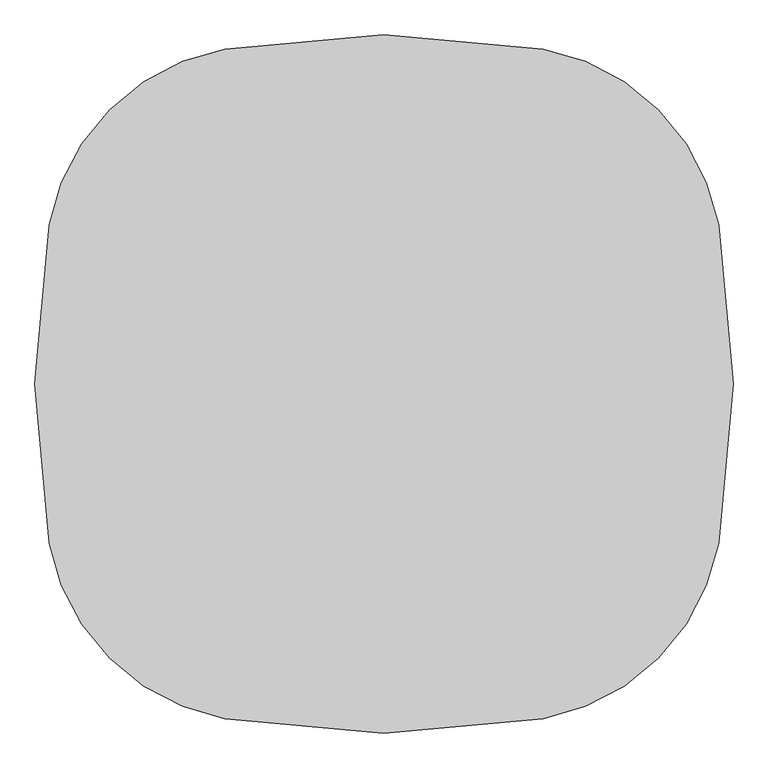
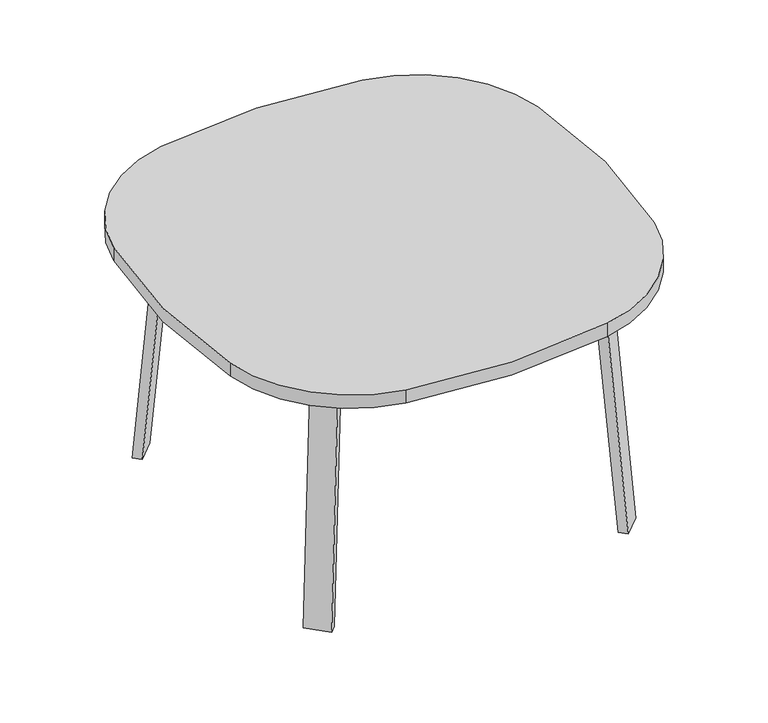
"""IFC4 building model written with IfcOpenShell, lengths in millimetres: furniture geometry."""

from ifc_helpers import new_model, si_unit, point, frame, frame_2d, origin, place, context, project, spatial, polyline, circle_curve, trimmed, segment, composite_curve, outline, extrude, faceted_brep, source, transform, mapped, element, save


def furniture_cbc76d66(model_context):
    return source(origin(), model_context, "Body", "SolidModel", [
        extrude(outline(composite_curve([segment(trimmed(circle_curve(frame_2d((-939.8, 0.0)), 1549.4), [point((584.4560823, 277.9995605))], [point((584.4560823, -277.9995605))], False, "CARTESIAN"), True, "CONTINUOUS"), segment(trimmed(circle_curve(frame_2d((209.6390129, -209.6390129)), 381.0), [point((584.4560823, -277.9995605))], [point((277.9995605, -584.4560823))], False, "CARTESIAN"), True, "CONTINUOUS"), segment(trimmed(circle_curve(frame_2d((0.0, 939.8)), 1549.4), [point((277.9995605, -584.4560823))], [point((-277.9995605, -584.4560823))], False, "CARTESIAN"), True, "CONTINUOUS"), segment(trimmed(circle_curve(frame_2d((-209.6390129, -209.6390129)), 381.0), [point((-277.9995605, -584.4560823))], [point((-584.4560823, -277.9995605))], False, "CARTESIAN"), True, "CONTINUOUS"), segment(trimmed(circle_curve(frame_2d((939.8, 0.0)), 1549.4), [point((-584.4560823, -277.9995605))], [point((-584.4560823, 277.9995605))], False, "CARTESIAN"), True, "CONTINUOUS"), segment(trimmed(circle_curve(frame_2d((-209.6390129, 209.6390129)), 381.0), [point((-584.4560823, 277.9995605))], [point((-277.9995605, 584.4560823))], False, "CARTESIAN"), True, "CONTINUOUS"), segment(trimmed(circle_curve(frame_2d((0.0, -939.8)), 1549.4), [point((-277.9995605, 584.4560823))], [point((277.9995605, 584.4560823))], False, "CARTESIAN"), True, "CONTINUOUS"), segment(trimmed(circle_curve(frame_2d((209.6390129, 209.6390129)), 381.0), [point((277.9995605, 584.4560823))], [point((584.4560823, 277.9995605))], False, "CARTESIAN"), True, "CONTINUOUS")], self_intersect=False)), frame((0.0, 0.0, 698.5), z_axis=(0.0, 0.0, 1.0), x_axis=(1.0, 0.0, 0.0)), (0.0, 0.0, 1.0), 38.1),
        faceted_brep([(227.5573355, -352.5740831, 695.325), (267.0704624, -313.0609562, 695.325), (322.1867843, -368.1772782, 695.325), (315.5451366, -374.8189259, 695.325), (254.4981038, -379.5148515, 695.325), (374.8189259, -315.5451366, 695.325), (368.8841162, -321.4799463, 695.325), (313.7677942, -266.3636244, 695.325), (353.2809212, -226.8504974, 695.325), (380.2216895, -253.7912658, 695.325), (227.5573355, -352.5740831, 698.5), (254.4981038, -379.5148515, 698.5), (315.5451366, -374.8189259, 698.5), (374.8189259, -315.5451366, 698.5), (380.2216895, -253.7912658, 698.5), (353.2809212, -226.8504974, 698.5), (322.1867843, -368.1772782, 673.1), (368.8841162, -321.4799463, 673.1), (277.2855037, -323.2759975, 673.1), (323.9828356, -276.5786657, 673.1)], [[[0, 1, 2, 3, 4]], [[5, 6, 7, 8, 9]], [[10, 11, 12, 13, 14, 15]], [[4, 11, 10, 0]], [[3, 12, 11, 4]], [[12, 3, 2, 16, 17, 6, 5, 13]], [[9, 14, 13, 5]], [[8, 15, 14, 9]], [[15, 8, 7, 1, 0, 10]], [[2, 1, 18, 16]], [[7, 6, 17, 19]], [[18, 19, 17, 16]], [[1, 7, 19, 18]]]),
        extrude(outline(composite_curve([segment(polyline([(-698.9257667, 0.0), (-704.4601563, 63.2583633), (-679.156811, 65.4721192), (-677.172355, 42.7896831)]), True, "CONTINUOUS"), segment(trimmed(circle_curve(frame_2d((-658.194846, 44.45)), 19.05), [point((-677.172355, 42.7896831))], [point((-658.194846, 25.4))], True, "CARTESIAN"), True, "CONTINUOUS"), segment(polyline([(-658.194846, 25.4), (0.0201778, 25.4), (2.2423899, 0.0), (-698.9257667, 0.0)]), True, "CONTINUOUS")], self_intersect=False)), frame((408.4612959, -457.8527046, 2.2338569), z_axis=(0.7071067811865512, 0.707106781186544, 0.0), x_axis=(0.06162841671622733, -0.06162841671621349, -0.9961946980917454)), (0.0, 0.0, 1.0), 69.85),
        faceted_brep([(227.5573355, 352.5740831, 695.325), (254.4981038, 379.5148515, 695.325), (315.5451366, 374.8189259, 695.325), (322.1867843, 368.1772782, 695.325), (267.0704624, 313.0609562, 695.325), (374.8189259, 315.5451366, 695.325), (380.2216895, 253.7912658, 695.325), (353.2809212, 226.8504974, 695.325), (313.7677942, 266.3636244, 695.325), (368.8841162, 321.4799463, 695.325), (227.5573355, 352.5740831, 698.5), (353.2809212, 226.8504974, 698.5), (380.2216895, 253.7912658, 698.5), (374.8189259, 315.5451366, 698.5), (315.5451366, 374.8189259, 698.5), (254.4981038, 379.5148515, 698.5), (368.8841162, 321.4799463, 673.1), (322.1867843, 368.1772782, 673.1), (277.2855037, 323.2759975, 673.1), (323.9828356, 276.5786657, 673.1)], [[[0, 1, 2, 3, 4]], [[5, 6, 7, 8, 9]], [[10, 11, 12, 13, 14, 15]], [[1, 0, 10, 15]], [[2, 1, 15, 14]], [[14, 13, 5, 9, 16, 17, 3, 2]], [[6, 5, 13, 12]], [[7, 6, 12, 11]], [[11, 10, 0, 4, 8, 7]], [[3, 17, 18, 4]], [[8, 19, 16, 9]], [[18, 17, 16, 19]], [[4, 18, 19, 8]]]),
        extrude(outline(composite_curve([segment(polyline([(698.9257667, 0.0), (704.4601563, -63.2583633), (679.156811, -65.4721192), (677.172355, -42.7896831)]), True, "CONTINUOUS"), segment(trimmed(circle_curve(frame_2d((658.194846, -44.45)), 19.05), [point((677.172355, -42.7896831))], [point((658.194846, -25.4))], True, "CARTESIAN"), True, "CONTINUOUS"), segment(polyline([(658.194846, -25.4), (-0.0201778, -25.4), (-2.2423899, 0.0), (698.9257667, 0.0)]), True, "CONTINUOUS")], self_intersect=False)), frame((457.8527046, 408.4612959, 2.2338569), z_axis=(-0.7071067811865512, 0.707106781186544, 0.0), x_axis=(-0.06162841671622733, -0.06162841671621349, 0.9961946980917454)), (0.0, 0.0, 1.0), 69.85),
        faceted_brep([(-227.5573355, 352.5740831, 695.325), (-267.0704624, 313.0609562, 695.325), (-322.1867843, 368.1772782, 695.325), (-315.5451366, 374.8189259, 695.325), (-254.4981038, 379.5148515, 695.325), (-374.8189259, 315.5451366, 695.325), (-368.8841162, 321.4799463, 695.325), (-313.7677942, 266.3636244, 695.325), (-353.2809212, 226.8504974, 695.325), (-380.2216895, 253.7912658, 695.325), (-227.5573355, 352.5740831, 698.5), (-254.4981038, 379.5148515, 698.5), (-315.5451366, 374.8189259, 698.5), (-374.8189259, 315.5451366, 698.5), (-380.2216895, 253.7912658, 698.5), (-353.2809212, 226.8504974, 698.5), (-322.1867843, 368.1772782, 673.1), (-368.8841162, 321.4799463, 673.1), (-277.2855037, 323.2759975, 673.1), (-323.9828356, 276.5786657, 673.1)], [[[0, 1, 2, 3, 4]], [[5, 6, 7, 8, 9]], [[10, 11, 12, 13, 14, 15]], [[4, 11, 10, 0]], [[3, 12, 11, 4]], [[12, 3, 2, 16, 17, 6, 5, 13]], [[9, 14, 13, 5]], [[8, 15, 14, 9]], [[15, 8, 7, 1, 0, 10]], [[2, 1, 18, 16]], [[7, 6, 17, 19]], [[18, 19, 17, 16]], [[1, 7, 19, 18]]]),
        extrude(outline(composite_curve([segment(polyline([(698.9257667, 0.0), (-2.2423899, 0.0), (-0.0201778, 25.4), (658.194846, 25.4)]), True, "CONTINUOUS"), segment(trimmed(circle_curve(frame_2d((658.194846, 44.45)), 19.05), [point((658.194846, 25.4))], [point((677.172355, 42.7896831))], True, "CARTESIAN"), True, "CONTINUOUS"), segment(polyline([(677.172355, 42.7896831), (679.156811, 65.4721192), (704.4601563, 63.2583633), (698.9257667, 0.0)]), True, "CONTINUOUS")], self_intersect=False)), frame((-457.8527046, 408.4612959, 2.2338569), z_axis=(0.7071067811865512, 0.707106781186544, 0.0), x_axis=(0.06162841671622733, -0.06162841671621349, 0.9961946980917454)), (0.0, 0.0, 1.0), 69.85),
        faceted_brep([(-227.5573355, -352.5740831, 695.325), (-254.4981038, -379.5148515, 695.325), (-315.5451366, -374.8189259, 695.325), (-322.1867843, -368.1772782, 695.325), (-267.0704624, -313.0609562, 695.325), (-374.8189259, -315.5451366, 695.325), (-380.2216895, -253.7912658, 695.325), (-353.2809212, -226.8504974, 695.325), (-313.7677942, -266.3636244, 695.325), (-368.8841162, -321.4799463, 695.325), (-227.5573355, -352.5740831, 698.5), (-353.2809212, -226.8504974, 698.5), (-380.2216895, -253.7912658, 698.5), (-374.8189259, -315.5451366, 698.5), (-315.5451366, -374.8189259, 698.5), (-254.4981038, -379.5148515, 698.5), (-368.8841162, -321.4799463, 673.1), (-322.1867843, -368.1772782, 673.1), (-277.2855037, -323.2759975, 673.1), (-323.9828356, -276.5786657, 673.1)], [[[0, 1, 2, 3, 4]], [[5, 6, 7, 8, 9]], [[10, 11, 12, 13, 14, 15]], [[1, 0, 10, 15]], [[2, 1, 15, 14]], [[14, 13, 5, 9, 16, 17, 3, 2]], [[6, 5, 13, 12]], [[7, 6, 12, 11]], [[11, 10, 0, 4, 8, 7]], [[3, 17, 18, 4]], [[8, 19, 16, 9]], [[18, 17, 16, 19]], [[4, 18, 19, 8]]]),
        extrude(outline(composite_curve([segment(polyline([(-698.9257667, 0.0), (2.2423899, 0.0), (0.0201778, -25.4), (-658.194846, -25.4)]), True, "CONTINUOUS"), segment(trimmed(circle_curve(frame_2d((-658.194846, -44.45)), 19.05), [point((-658.194846, -25.4))], [point((-677.172355, -42.7896831))], True, "CARTESIAN"), True, "CONTINUOUS"), segment(polyline([(-677.172355, -42.7896831), (-679.156811, -65.4721192), (-704.4601563, -63.2583633), (-698.9257667, 0.0)]), True, "CONTINUOUS")], self_intersect=False)), frame((-408.4612959, -457.8527046, 2.2338569), z_axis=(-0.7071067811865512, 0.707106781186544, 0.0), x_axis=(-0.06162841671622733, -0.06162841671621349, -0.9961946980917454)), (0.0, 0.0, 1.0), 69.85),
    ])


if __name__ == "__main__":
    model = new_model("IFC4")
    model_context = context("Model", 3, world=origin())
    ifc_project = project(units=[si_unit("LENGTHUNIT", "METRE", prefix="MILLI")], contexts=[model_context])
    site = spatial("IfcSite", under=ifc_project)
    building = spatial("IfcBuilding", under=site)
    placement = place(None, origin())
    furniture_shape = furniture_cbc76d66(model_context)
    element("IfcFurniture", 1, at=placement, inside=building, context=model_context, shape_type="MappedRepresentation", body=[
        mapped(furniture_shape, transform((0.0, 0.0, 0.0), x_axis=(1.0, 0.0, 0.0), y_axis=(0.0, 1.0, 0.0), z_axis=(0.0, 0.0, 1.0))),
    ])
    save(model, "model.ifc")
